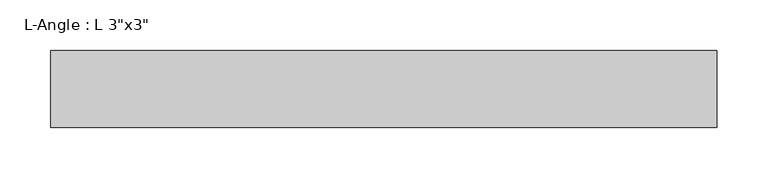
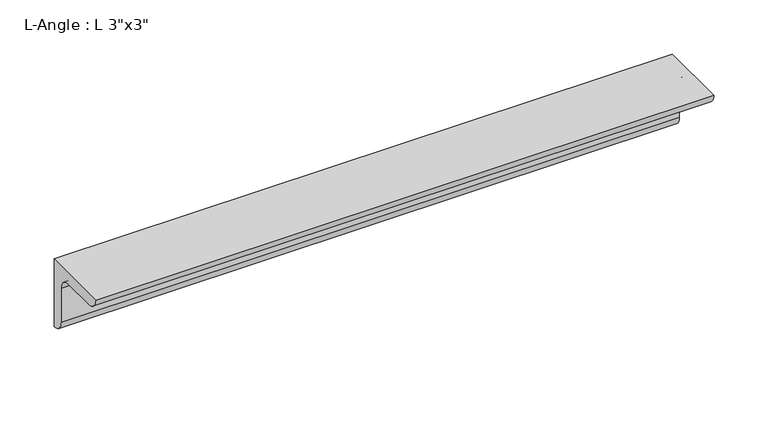
"""IFC4 building model written with IfcOpenShell, lengths in millimetres: beam geometry."""

from ifc_helpers import new_model, si_unit, point, frame, frame_2d, origin, place, context, project, spatial, polyline, circle_curve, trimmed, segment, composite_curve, outline, extrude, source, transform, mapped, element, save


def beam_7de10806(model_context):
    return source(origin(), model_context, "Body", "SweptSolid", [
        extrude(outline(composite_curve([segment(polyline([(24.9039062, 50.3039062), (24.9039062, -25.8960938)]), True, "CONTINUOUS"), segment(trimmed(circle_curve(frame_2d((24.9039062, -13.1960938)), 12.7), [point((24.9039062, -25.8960938))], [point((12.2039062, -13.1960938))], False, "CARTESIAN"), True, "CONTINUOUS"), segment(polyline([(12.2039062, -13.1960938), (12.2039062, 24.9039062)]), True, "CONTINUOUS"), segment(trimmed(circle_curve(frame_2d((-0.4960938, 24.9039062)), 12.7), [point((12.2039062, 24.9039062))], [point((-0.4960938, 37.6039062))], True, "CARTESIAN"), True, "CONTINUOUS"), segment(polyline([(-0.4960938, 37.6039062), (-38.5960938, 37.6039062)]), True, "CONTINUOUS"), segment(trimmed(circle_curve(frame_2d((-38.5960938, 50.3039062)), 12.7), [point((-38.5960938, 37.6039062))], [point((-51.2960938, 50.3039062))], False, "CARTESIAN"), True, "CONTINUOUS"), segment(polyline([(-51.2960938, 50.3039062), (24.9039062, 50.3039062)]), True, "CONTINUOUS")], self_intersect=False)), frame((-329.117447, 0.0, 0.0), z_axis=(1.0, 0.0, 0.0), x_axis=(0.0, 1.0, 0.0)), (0.0, 0.0, 1.0), 658.2348939),
    ])


if __name__ == "__main__":
    model = new_model("IFC4")
    model_context = context("Model", 3, world=origin())
    ifc_project = project(units=[si_unit("LENGTHUNIT", "METRE", prefix="MILLI")], contexts=[model_context])
    site = spatial("IfcSite", under=ifc_project)
    building = spatial("IfcBuilding", under=site)
    placement = place(None, origin())
    beam_shape = beam_7de10806(model_context)
    element("IfcBeam", 1, ObjectType="L-Angle : L 3\"x3\"", at=placement, inside=building, context=model_context, shape_type="MappedRepresentation", body=[
        mapped(beam_shape, transform((0.0, 0.0, 0.0), x_axis=(1.0, 0.0, 0.0), y_axis=(0.0, 1.0, 0.0), z_axis=(0.0, 0.0, 1.0))),
    ])
    save(model, "model.ifc")
